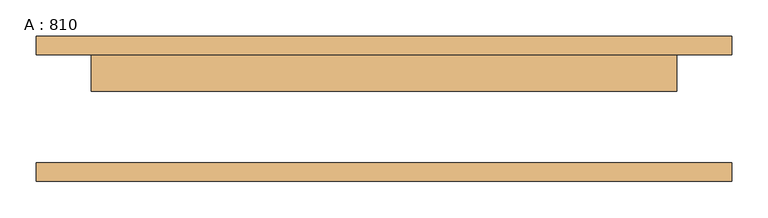
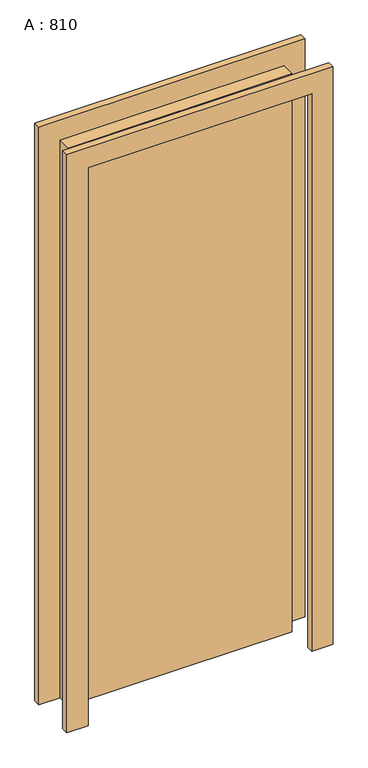
"""IFC4 building model written with IfcOpenShell, lengths in millimetres: door geometry, A : 810."""

import ifcopenshell
import ifcopenshell.guid

model = None  # the IFC model being written
_history = None  # IfcOwnerHistory: only IFC2X3 demands one
_inside = {}  # id of a spatial element -> (the spatial element, [elements in it])
_under = {}  # id of a project, library or spatial element -> (it, [spatial elements below it])
_declared = {}  # id of a project -> (the project, [libraries it declares])
_typed = {}  # id of a type object -> (the type object, [elements of that type])
_made_of = {}  # id of a material, layer set ... -> (it, [elements and type objects made of it])


def new_model(schema):
    """Start an empty IFC model of exactly this schema.

    Asked for "IFC4X3", IfcOpenShell would pick the latest addendum, in which some entities
    have other attributes; the version numbers below select the first issue.
    IFC2X3 requires an IfcOwnerHistory on every rooted entity: one is made here for all.
    """
    global model, _history
    if schema == "IFC4X3":
        model = ifcopenshell.file(schema_version=(4, 3, 0, 0))
    else:
        model = ifcopenshell.file(schema=schema)
    _inside.clear()
    _under.clear()
    _declared.clear()
    _typed.clear()
    _made_of.clear()
    _history = None
    if model.schema == "IFC2X3":
        org = make("IfcOrganization", Name="unknown")
        user = make(
            "IfcPersonAndOrganization",
            ThePerson=make("IfcPerson", FamilyName="unknown"),
            TheOrganization=org,
        )
        app = make(
            "IfcApplication",
            ApplicationDeveloper=org,
            Version="unknown",
            ApplicationFullName="unknown",
            ApplicationIdentifier="unknown",
        )
        _history = make(
            "IfcOwnerHistory",
            OwningUser=user,
            OwningApplication=app,
            ChangeAction="ADDED",
            CreationDate=0,
        )
    return model


def make(cls, **values):
    """One entity of the class cls with the attributes given. An attribute that is None is left unset."""
    return model.create_entity(
        cls, **{name: value for name, value in values.items() if value is not None}
    )


def rooted(cls, **values):
    """An entity with a GlobalId (a new one), such as an element, a storey or a relation."""
    return make(cls, GlobalId=ifcopenshell.guid.new(), OwnerHistory=_history, **values)


def si_unit(unit_type, name, prefix=None):
    """IfcSIUnit, for example si_unit("LENGTHUNIT", "METRE", prefix="MILLI")."""
    return make("IfcSIUnit", UnitType=unit_type, Prefix=prefix, Name=name)


def assignment(units):
    """IfcUnitAssignment: the units of a project."""
    return None if units is None else make("IfcUnitAssignment", Units=units)


def point(xyz):
    """IfcCartesianPoint."""
    return None if xyz is None else make("IfcCartesianPoint", Coordinates=xyz)


def direction(xyz):
    """IfcDirection."""
    return None if xyz is None else make("IfcDirection", DirectionRatios=xyz)


def frame(location, z_axis=None, x_axis=None):
    """IfcAxis2Placement3D, a coordinate frame: its origin and axes. An axis left out is left unset."""
    return make(
        "IfcAxis2Placement3D",
        Location=point(location),
        Axis=direction(z_axis),
        RefDirection=direction(x_axis),
    )


def origin():
    """The frame at (0, 0, 0) with its axes left unset."""
    return frame((0.0, 0.0, 0.0))


def origin_with_axes():
    """The frame at (0, 0, 0) with the z axis (0, 0, 1) and the x axis (1, 0, 0) written out."""
    return frame((0.0, 0.0, 0.0), z_axis=(0.0, 0.0, 1.0), x_axis=(1.0, 0.0, 0.0))


def place(relative_to, where):
    """IfcLocalPlacement: puts the frame where relative to a parent placement (None: the world)."""
    return make(
        "IfcLocalPlacement", PlacementRelTo=relative_to, RelativePlacement=where
    )


def context(
    kind, dimensions, precision=None, world=None, true_north=None, identifier=None
):
    """IfcGeometricRepresentationContext, for example the 3D "Model" context."""
    return make(
        "IfcGeometricRepresentationContext",
        ContextIdentifier=identifier,
        ContextType=kind,
        CoordinateSpaceDimension=dimensions,
        Precision=precision,
        WorldCoordinateSystem=world,
        TrueNorth=true_north,
    )


def project(units=None, contexts=None):
    """IfcProject with its units and contexts."""
    return rooted(
        "IfcProject",
        Name="project",
        RepresentationContexts=contexts,
        UnitsInContext=assignment(units),
    )


def spatial(cls, under=None, at=None, **own):
    """A site, building, storey or space (cls), placed at a placement, below another one or the project."""
    s = rooted(cls, ObjectPlacement=at, **own)
    if under is not None:
        _under.setdefault(under.id(), (under, []))[1].append(s)
    return s


def polyline(points):
    """IfcPolyline through the points."""
    return make("IfcPolyline", Points=[point(p) for p in points])


def outline(outer, holes=None, kind="AREA"):
    """IfcArbitraryClosedProfileDef: a profile drawn as a closed curve; with holes, ...WithVoids."""
    if holes is None:
        return make("IfcArbitraryClosedProfileDef", ProfileType=kind, OuterCurve=outer)
    return make(
        "IfcArbitraryProfileDefWithVoids",
        ProfileType=kind,
        OuterCurve=outer,
        InnerCurves=holes,
    )


def extrude(swept, where, along, depth):
    """IfcExtrudedAreaSolid: the profile swept, set in the frame where, extruded along a direction by depth."""
    return make(
        "IfcExtrudedAreaSolid",
        SweptArea=swept,
        Position=where,
        ExtrudedDirection=direction(along),
        Depth=depth,
    )


def shape(context_of_items, identifier, shape_type, items):
    """IfcShapeRepresentation: the items that make up one representation, for example the "Body"."""
    return make(
        "IfcShapeRepresentation",
        ContextOfItems=context_of_items,
        RepresentationIdentifier=identifier,
        RepresentationType=shape_type,
        Items=items,
    )


def source(mapping_origin, context_of_items, identifier, shape_type, items):
    """IfcRepresentationMap: a shape defined once, which mapped items show again and again."""
    return make(
        "IfcRepresentationMap",
        MappingOrigin=mapping_origin,
        MappedRepresentation=shape(context_of_items, identifier, shape_type, items),
    )


def transform(
    local_origin,
    x_axis=None,
    y_axis=None,
    z_axis=None,
    scale=None,
    scale2=None,
    scale3=None,
    uniform=True,
):
    """IfcCartesianTransformationOperator3D, or its non-uniform kind. x_axis, y_axis, z_axis: its Axis1, 2, 3."""
    if uniform:
        return make(
            "IfcCartesianTransformationOperator3D",
            Axis1=direction(x_axis),
            Axis2=direction(y_axis),
            LocalOrigin=point(local_origin),
            Scale=scale,
            Axis3=direction(z_axis),
        )
    return make(
        "IfcCartesianTransformationOperator3DnonUniform",
        Axis1=direction(x_axis),
        Axis2=direction(y_axis),
        LocalOrigin=point(local_origin),
        Scale=scale,
        Axis3=direction(z_axis),
        Scale2=scale2,
        Scale3=scale3,
    )


def mapped(mapping_source, mapping_target):
    """IfcMappedItem: shows the shape of a source again, moved by a transform."""
    return make(
        "IfcMappedItem", MappingSource=mapping_source, MappingTarget=mapping_target
    )


def made_of(thing, what):
    """Note that an element or type object is made of a material, layer set ...; save() writes the relation."""
    if what is not None:
        _made_of.setdefault(what.id(), (what, []))[1].append(thing)
    return thing


def element(
    cls,
    number,
    at=None,
    inside=None,
    cuts=None,
    type_object=None,
    material=None,
    context=None,
    identifier="Body",
    shape_type=None,
    held_by="IfcProductDefinitionShape",
    body=None,
    shapes=None,
    **own,
):
    """One element of the class cls, such as IfcWall. Its Tag is "e" and its number.

    at: its placement. inside: the storey or other place that contains it. cuts: it is an
    opening in that element (IfcRelVoidsElement). A single representation is given by context,
    identifier, shape_type and body (its items); several are given by shapes. held_by: the class
    of the entity that holds the representations. save() writes the other relations.
    """
    e = rooted(cls, Tag="e%d" % number, ObjectPlacement=at, **own)
    if body is not None:
        shapes = [shape(context, identifier, shape_type, body)]
    if shapes is not None:
        e.Representation = make(held_by, Representations=shapes)
    if inside is not None:
        _inside.setdefault(inside.id(), (inside, []))[1].append(e)
    if cuts is not None:
        rooted(
            "IfcRelVoidsElement", RelatingBuildingElement=cuts, RelatedOpeningElement=e
        )
    if type_object is not None:
        _typed.setdefault(type_object.id(), (type_object, []))[1].append(e)
    return made_of(e, material)


def aggregate(whole, parts):
    """IfcRelAggregates: a whole, such as a stair, and the parts it consists of."""
    return rooted("IfcRelAggregates", RelatingObject=whole, RelatedObjects=parts)


def save(model, path):
    """Write the relations noted so far, then the file.

    IfcRelAggregates (storeys below a building ...), IfcRelContainedInSpatialStructure (elements
    in a storey), IfcRelDefinesByType, IfcRelAssociatesMaterial and IfcRelDeclares: one each for
    every whole, place, type object, material and project.
    """
    for whole, parts in _under.values():
        aggregate(whole, parts)
    for where, things in _inside.values():
        rooted(
            "IfcRelContainedInSpatialStructure",
            RelatedElements=things,
            RelatingStructure=where,
        )
    for kind, things in _typed.values():
        rooted("IfcRelDefinesByType", RelatedObjects=things, RelatingType=kind)
    for what, things in _made_of.values():
        rooted("IfcRelAssociatesMaterial", RelatedObjects=things, RelatingMaterial=what)
    for by, libraries in _declared.values():
        rooted("IfcRelDeclares", RelatingContext=by, RelatedDefinitions=libraries)
    model.write(path)


def a_810_55fd2801(model_context):
    return source(origin(), model_context, "Body", "SweptSolid", [
        extrude(outline(polyline([(2209.8, -481.2), (0.0, -481.2), (0.0, -405.0), (2133.6, -405.0), (2133.6, 405.0), (0.0, 405.0), (0.0, 481.2), (2209.8, 481.2), (2209.8, -481.2)])), frame((0.0, 74.975, 0.0), z_axis=(0.0, 1.0, 0.0), x_axis=(0.0, 0.0, 1.0)), (0.0, 0.0, 1.0), 25.4),
        extrude(outline(polyline([(2209.8, 481.2), (2209.8, -481.2), (0.0, -481.2), (0.0, -405.0), (2133.6, -405.0), (2133.6, 405.0), (0.0, 405.0), (0.0, 481.2), (2209.8, 481.2)])), frame((0.0, -100.375, 0.0), z_axis=(0.0, 1.0, 0.0), x_axis=(0.0, 0.0, 1.0)), (0.0, 0.0, 1.0), 25.4),
        extrude(outline(polyline([(405.0, 24.175), (-405.0, 24.175), (-405.0, 74.975), (405.0, 74.975), (405.0, 24.175)])), origin_with_axes(), (0.0, 0.0, 1.0), 2133.6),
    ])


if __name__ == "__main__":
    model = new_model("IFC4")
    model_context = context("Model", 3, world=origin())
    ifc_project = project(units=[si_unit("LENGTHUNIT", "METRE", prefix="MILLI")], contexts=[model_context])
    site = spatial("IfcSite", under=ifc_project)
    building = spatial("IfcBuilding", under=site)
    placement = place(None, origin())
    a_810_shape = a_810_55fd2801(model_context)
    element("IfcDoor", 1, ObjectType="A : 810", at=placement, inside=building, context=model_context, shape_type="MappedRepresentation", body=[
        mapped(a_810_shape, transform((0.0, 0.0, 0.0), x_axis=(1.0, 0.0, 0.0), y_axis=(0.0, 1.0, 0.0), z_axis=(0.0, 0.0, 1.0))),
    ])
    save(model, "model.ifc")
